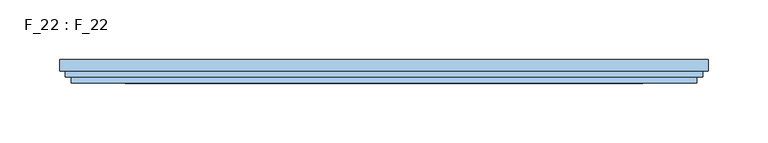
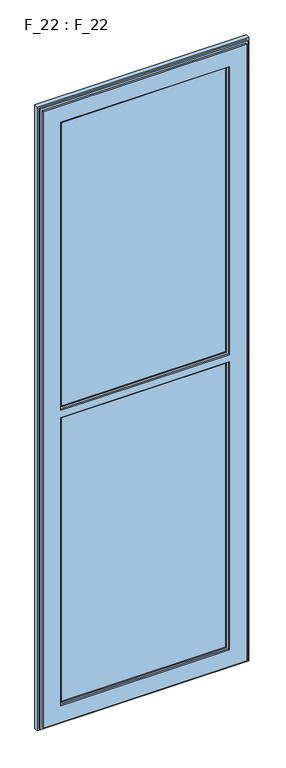
"""IFC4 building model written with IfcOpenShell, lengths in millimetres: window geometry, F_22 : F_22."""

import ifcopenshell
import ifcopenshell.guid

model = None  # the IFC model being written
_history = None  # IfcOwnerHistory: only IFC2X3 demands one
_inside = {}  # id of a spatial element -> (the spatial element, [elements in it])
_under = {}  # id of a project, library or spatial element -> (it, [spatial elements below it])
_declared = {}  # id of a project -> (the project, [libraries it declares])
_typed = {}  # id of a type object -> (the type object, [elements of that type])
_made_of = {}  # id of a material, layer set ... -> (it, [elements and type objects made of it])


def new_model(schema):
    """Start an empty IFC model of exactly this schema.

    Asked for "IFC4X3", IfcOpenShell would pick the latest addendum, in which some entities
    have other attributes; the version numbers below select the first issue.
    IFC2X3 requires an IfcOwnerHistory on every rooted entity: one is made here for all.
    """
    global model, _history
    if schema == "IFC4X3":
        model = ifcopenshell.file(schema_version=(4, 3, 0, 0))
    else:
        model = ifcopenshell.file(schema=schema)
    _inside.clear()
    _under.clear()
    _declared.clear()
    _typed.clear()
    _made_of.clear()
    _history = None
    if model.schema == "IFC2X3":
        org = make("IfcOrganization", Name="unknown")
        user = make(
            "IfcPersonAndOrganization",
            ThePerson=make("IfcPerson", FamilyName="unknown"),
            TheOrganization=org,
        )
        app = make(
            "IfcApplication",
            ApplicationDeveloper=org,
            Version="unknown",
            ApplicationFullName="unknown",
            ApplicationIdentifier="unknown",
        )
        _history = make(
            "IfcOwnerHistory",
            OwningUser=user,
            OwningApplication=app,
            ChangeAction="ADDED",
            CreationDate=0,
        )
    return model


def make(cls, **values):
    """One entity of the class cls with the attributes given. An attribute that is None is left unset."""
    return model.create_entity(
        cls, **{name: value for name, value in values.items() if value is not None}
    )


def rooted(cls, **values):
    """An entity with a GlobalId (a new one), such as an element, a storey or a relation."""
    return make(cls, GlobalId=ifcopenshell.guid.new(), OwnerHistory=_history, **values)


def si_unit(unit_type, name, prefix=None):
    """IfcSIUnit, for example si_unit("LENGTHUNIT", "METRE", prefix="MILLI")."""
    return make("IfcSIUnit", UnitType=unit_type, Prefix=prefix, Name=name)


def assignment(units):
    """IfcUnitAssignment: the units of a project."""
    return None if units is None else make("IfcUnitAssignment", Units=units)


def point(xyz):
    """IfcCartesianPoint."""
    return None if xyz is None else make("IfcCartesianPoint", Coordinates=xyz)


def direction(xyz):
    """IfcDirection."""
    return None if xyz is None else make("IfcDirection", DirectionRatios=xyz)


def frame(location, z_axis=None, x_axis=None):
    """IfcAxis2Placement3D, a coordinate frame: its origin and axes. An axis left out is left unset."""
    return make(
        "IfcAxis2Placement3D",
        Location=point(location),
        Axis=direction(z_axis),
        RefDirection=direction(x_axis),
    )


def origin():
    """The frame at (0, 0, 0) with its axes left unset."""
    return frame((0.0, 0.0, 0.0))


def place(relative_to, where):
    """IfcLocalPlacement: puts the frame where relative to a parent placement (None: the world)."""
    return make(
        "IfcLocalPlacement", PlacementRelTo=relative_to, RelativePlacement=where
    )


def context(
    kind, dimensions, precision=None, world=None, true_north=None, identifier=None
):
    """IfcGeometricRepresentationContext, for example the 3D "Model" context."""
    return make(
        "IfcGeometricRepresentationContext",
        ContextIdentifier=identifier,
        ContextType=kind,
        CoordinateSpaceDimension=dimensions,
        Precision=precision,
        WorldCoordinateSystem=world,
        TrueNorth=true_north,
    )


def project(units=None, contexts=None):
    """IfcProject with its units and contexts."""
    return rooted(
        "IfcProject",
        Name="project",
        RepresentationContexts=contexts,
        UnitsInContext=assignment(units),
    )


def spatial(cls, under=None, at=None, **own):
    """A site, building, storey or space (cls), placed at a placement, below another one or the project."""
    s = rooted(cls, ObjectPlacement=at, **own)
    if under is not None:
        _under.setdefault(under.id(), (under, []))[1].append(s)
    return s


def polyline(points):
    """IfcPolyline through the points."""
    return make("IfcPolyline", Points=[point(p) for p in points])


def outline(outer, holes=None, kind="AREA"):
    """IfcArbitraryClosedProfileDef: a profile drawn as a closed curve; with holes, ...WithVoids."""
    if holes is None:
        return make("IfcArbitraryClosedProfileDef", ProfileType=kind, OuterCurve=outer)
    return make(
        "IfcArbitraryProfileDefWithVoids",
        ProfileType=kind,
        OuterCurve=outer,
        InnerCurves=holes,
    )


def extrude(swept, where, along, depth):
    """IfcExtrudedAreaSolid: the profile swept, set in the frame where, extruded along a direction by depth."""
    return make(
        "IfcExtrudedAreaSolid",
        SweptArea=swept,
        Position=where,
        ExtrudedDirection=direction(along),
        Depth=depth,
    )


def faces_of(points, faces, orient=None, outer=None):
    """IfcFace entities. A face is a list of loops; a loop is a list of indices into points, from 0.

    orient and outer hold one flag for each loop. By default every Orientation is true, the
    first loop of a face is its IfcFaceOuterBound and the others are IfcFaceBound.
    """
    made = []
    for i, loops in enumerate(faces):
        bounds = []
        for j, loop in enumerate(loops):
            is_outer = j == 0 if outer is None else outer[i][j]
            bounds.append(
                make(
                    "IfcFaceOuterBound" if is_outer else "IfcFaceBound",
                    Bound=make("IfcPolyLoop", Polygon=[points[k] for k in loop]),
                    Orientation=True if orient is None else orient[i][j],
                )
            )
        made.append(make("IfcFace", Bounds=bounds))
    return made


def faceted_brep(points, faces, orient=None, outer=None, voids=None):
    """IfcFacetedBrep: a solid bounded by flat faces; with voids (closed shells), ...WithVoids."""
    shared = [point(p) for p in points]
    hull = make("IfcClosedShell", CfsFaces=faces_of(shared, faces, orient, outer))
    if voids is None:
        return make("IfcFacetedBrep", Outer=hull)
    return make(
        "IfcFacetedBrepWithVoids",
        Outer=hull,
        Voids=[
            make(cls, CfsFaces=faces_of(shared, fs, o, b)) for cls, fs, o, b in voids
        ],
    )


def shape(context_of_items, identifier, shape_type, items):
    """IfcShapeRepresentation: the items that make up one representation, for example the "Body"."""
    return make(
        "IfcShapeRepresentation",
        ContextOfItems=context_of_items,
        RepresentationIdentifier=identifier,
        RepresentationType=shape_type,
        Items=items,
    )


def source(mapping_origin, context_of_items, identifier, shape_type, items):
    """IfcRepresentationMap: a shape defined once, which mapped items show again and again."""
    return make(
        "IfcRepresentationMap",
        MappingOrigin=mapping_origin,
        MappedRepresentation=shape(context_of_items, identifier, shape_type, items),
    )


def transform(
    local_origin,
    x_axis=None,
    y_axis=None,
    z_axis=None,
    scale=None,
    scale2=None,
    scale3=None,
    uniform=True,
):
    """IfcCartesianTransformationOperator3D, or its non-uniform kind. x_axis, y_axis, z_axis: its Axis1, 2, 3."""
    if uniform:
        return make(
            "IfcCartesianTransformationOperator3D",
            Axis1=direction(x_axis),
            Axis2=direction(y_axis),
            LocalOrigin=point(local_origin),
            Scale=scale,
            Axis3=direction(z_axis),
        )
    return make(
        "IfcCartesianTransformationOperator3DnonUniform",
        Axis1=direction(x_axis),
        Axis2=direction(y_axis),
        LocalOrigin=point(local_origin),
        Scale=scale,
        Axis3=direction(z_axis),
        Scale2=scale2,
        Scale3=scale3,
    )


def mapped(mapping_source, mapping_target):
    """IfcMappedItem: shows the shape of a source again, moved by a transform."""
    return make(
        "IfcMappedItem", MappingSource=mapping_source, MappingTarget=mapping_target
    )


def made_of(thing, what):
    """Note that an element or type object is made of a material, layer set ...; save() writes the relation."""
    if what is not None:
        _made_of.setdefault(what.id(), (what, []))[1].append(thing)
    return thing


def element(
    cls,
    number,
    at=None,
    inside=None,
    cuts=None,
    type_object=None,
    material=None,
    context=None,
    identifier="Body",
    shape_type=None,
    held_by="IfcProductDefinitionShape",
    body=None,
    shapes=None,
    **own,
):
    """One element of the class cls, such as IfcWall. Its Tag is "e" and its number.

    at: its placement. inside: the storey or other place that contains it. cuts: it is an
    opening in that element (IfcRelVoidsElement). A single representation is given by context,
    identifier, shape_type and body (its items); several are given by shapes. held_by: the class
    of the entity that holds the representations. save() writes the other relations.
    """
    e = rooted(cls, Tag="e%d" % number, ObjectPlacement=at, **own)
    if body is not None:
        shapes = [shape(context, identifier, shape_type, body)]
    if shapes is not None:
        e.Representation = make(held_by, Representations=shapes)
    if inside is not None:
        _inside.setdefault(inside.id(), (inside, []))[1].append(e)
    if cuts is not None:
        rooted(
            "IfcRelVoidsElement", RelatingBuildingElement=cuts, RelatedOpeningElement=e
        )
    if type_object is not None:
        _typed.setdefault(type_object.id(), (type_object, []))[1].append(e)
    return made_of(e, material)


def aggregate(whole, parts):
    """IfcRelAggregates: a whole, such as a stair, and the parts it consists of."""
    return rooted("IfcRelAggregates", RelatingObject=whole, RelatedObjects=parts)


def save(model, path):
    """Write the relations noted so far, then the file.

    IfcRelAggregates (storeys below a building ...), IfcRelContainedInSpatialStructure (elements
    in a storey), IfcRelDefinesByType, IfcRelAssociatesMaterial and IfcRelDeclares: one each for
    every whole, place, type object, material and project.
    """
    for whole, parts in _under.values():
        aggregate(whole, parts)
    for where, things in _inside.values():
        rooted(
            "IfcRelContainedInSpatialStructure",
            RelatedElements=things,
            RelatingStructure=where,
        )
    for kind, things in _typed.values():
        rooted("IfcRelDefinesByType", RelatedObjects=things, RelatingType=kind)
    for what, things in _made_of.values():
        rooted("IfcRelAssociatesMaterial", RelatedObjects=things, RelatingMaterial=what)
    for by, libraries in _declared.values():
        rooted("IfcRelDeclares", RelatingContext=by, RelatedDefinitions=libraries)
    model.write(path)


def f_22_f_22_4c29b818(model_context):
    return source(origin(), model_context, "Body", "SolidModel", [
        faceted_brep([(-262.5, -105.0, 2460.0), (-262.5, -100.0, 2460.0), (-262.5, -100.0, 780.0), (-262.5, -105.0, 780.0), (262.5, -105.0, 2460.0), (262.5, -100.0, 2460.0), (262.5, -105.0, 780.0), (-217.5, -105.0, 2415.0), (217.5, -105.0, 2415.0), (217.5, -105.0, 1630.0), (-217.5, -105.0, 1630.0), (-217.5, -105.0, 825.0), (-217.5, -105.0, 1610.0), (217.5, -105.0, 1610.0), (217.5, -105.0, 825.0), (262.5, -100.0, 780.0), (267.5, -100.0, 2465.0), (-267.5, -100.0, 2465.0), (-267.5, -100.0, 775.0), (267.5, -100.0, 775.0), (-267.5, -90.0, 2465.0), (-267.5, -90.0, 775.0), (267.5, -90.0, 2465.0), (267.5, -90.0, 775.0), (262.5, -90.0, 2460.0), (-262.5, -90.0, 2460.0), (-262.5, -90.0, 780.0), (262.5, -90.0, 780.0), (-262.5, -85.0, 2460.0), (-262.5, -85.0, 780.0), (262.5, -85.0, 2460.0), (262.5, -85.0, 780.0), (217.5, -85.0, 2415.0), (-217.5, -85.0, 2415.0), (-217.5, -85.0, 1630.0), (217.5, -85.0, 1630.0), (217.5, -85.0, 825.0), (217.5, -85.0, 1610.0), (-217.5, -85.0, 1610.0), (-217.5, -85.0, 825.0), (-217.5, -90.0, 2415.0), (217.5, -90.0, 2415.0), (-212.5, -100.0, 2410.0), (-212.5, -90.0, 2410.0), (212.5, -90.0, 2410.0), (212.5, -100.0, 2410.0), (-217.5, -100.0, 2415.0), (217.5, -100.0, 2415.0), (217.5, -90.0, 825.0), (217.5, -90.0, 1610.0), (217.5, -90.0, 1630.0), (212.5, -90.0, 1635.0), (212.5, -100.0, 1635.0), (212.5, -90.0, 830.0), (212.5, -100.0, 830.0), (212.5, -100.0, 1605.0), (212.5, -90.0, 1605.0), (217.5, -100.0, 1630.0), (217.5, -100.0, 1610.0), (217.5, -100.0, 825.0), (-217.5, -90.0, 825.0), (-212.5, -90.0, 830.0), (-212.5, -100.0, 830.0), (-217.5, -100.0, 825.0), (-217.5, -90.0, 1630.0), (-217.5, -90.0, 1610.0), (-212.5, -90.0, 1635.0), (-212.5, -90.0, 1605.0), (-212.5, -100.0, 1635.0), (-212.5, -100.0, 1605.0), (-217.5, -100.0, 1630.0), (-217.5, -100.0, 1610.0)], [[[0, 1, 2, 3]], [[1, 0, 4, 5]], [[4, 0, 3, 6], [7, 8, 9, 10], [11, 12, 13, 14]], [[5, 4, 6, 15]], [[16, 17, 18, 19], [1, 5, 15, 2]], [[17, 20, 21, 18]], [[20, 17, 16, 22]], [[22, 16, 19, 23]], [[20, 22, 23, 21], [24, 25, 26, 27]], [[25, 28, 29, 26]], [[28, 25, 24, 30]], [[30, 24, 27, 31]], [[28, 30, 31, 29], [32, 33, 34, 35], [36, 37, 38, 39]], [[40, 33, 32, 41]], [[42, 43, 44, 45]], [[7, 46, 47, 8]], [[36, 48, 49, 37]], [[50, 41, 32, 35]], [[45, 44, 51, 52]], [[53, 54, 55, 56]], [[8, 47, 57, 9]], [[58, 59, 14, 13]], [[48, 36, 39, 60]], [[54, 53, 61, 62]], [[14, 59, 63, 11]], [[15, 6, 3, 2]], [[23, 19, 18, 21]], [[31, 27, 26, 29]], [[33, 40, 64, 34]], [[65, 60, 39, 38]], [[40, 41, 50, 64], [43, 66, 51, 44]], [[48, 60, 65, 49], [53, 56, 67, 61]], [[43, 42, 68, 66]], [[62, 61, 67, 69]], [[47, 46, 70, 57], [42, 45, 52, 68]], [[63, 59, 58, 71], [54, 62, 69, 55]], [[11, 63, 71, 12]], [[70, 46, 7, 10]], [[10, 9, 57, 70]], [[51, 66, 68, 52]], [[35, 34, 64, 50]], [[38, 37, 49, 65]], [[67, 56, 55, 69]], [[13, 12, 71, 58]]]),
        extrude(outline(polyline([(212.5, -97.0), (-212.5, -97.0), (-212.5, -93.0), (212.5, -93.0), (212.5, -97.0)])), frame((0.0, 0.0, 1635.0), z_axis=(0.0, 0.0, 1.0), x_axis=(1.0, 0.0, 0.0)), (0.0, 0.0, 1.0), 775.0),
        faceted_brep([(272.5, -95.0, 770.0), (272.5, -85.0, 770.0), (272.5, -85.0, 2470.0), (272.5, -95.0, 2470.0), (-272.5, -85.0, 770.0), (-272.5, -85.0, 2470.0), (262.5, -85.0, 780.0), (262.5, -85.0, 2460.0), (-262.5, -85.0, 2460.0), (-262.5, -85.0, 780.0), (-272.5, -95.0, 2470.0), (-272.5, -95.0, 770.0), (-267.5, -95.0, 775.0), (-267.5, -95.0, 2465.0), (267.5, -95.0, 2465.0), (267.5, -95.0, 775.0), (267.5, -90.0, 775.0), (267.5, -90.0, 2465.0), (-267.5, -90.0, 2465.0), (-267.5, -90.0, 775.0), (-262.5, -90.0, 780.0), (-262.5, -90.0, 2460.0), (262.5, -90.0, 2460.0), (262.5, -90.0, 780.0)], [[[0, 1, 2, 3]], [[4, 5, 2, 1], [6, 7, 8, 9]], [[3, 2, 5, 10]], [[0, 3, 10, 11], [12, 13, 14, 15]], [[16, 15, 14, 17]], [[17, 14, 13, 18]], [[16, 17, 18, 19], [20, 21, 22, 23]], [[6, 23, 22, 7]], [[7, 22, 21, 8]], [[10, 5, 4, 11]], [[18, 13, 12, 19]], [[8, 21, 20, 9]], [[11, 4, 1, 0]], [[19, 12, 15, 16]], [[9, 20, 23, 6]]]),
        extrude(outline(polyline([(212.5, -97.0), (-212.5, -97.0), (-212.5, -93.0), (212.5, -93.0), (212.5, -97.0)])), frame((0.0, 0.0, 830.0), z_axis=(0.0, 0.0, 1.0), x_axis=(1.0, 0.0, 0.0)), (0.0, 0.0, 1.0), 775.0),
    ])


if __name__ == "__main__":
    model = new_model("IFC4")
    model_context = context("Model", 3, world=origin())
    ifc_project = project(units=[si_unit("LENGTHUNIT", "METRE", prefix="MILLI")], contexts=[model_context])
    site = spatial("IfcSite", under=ifc_project)
    building = spatial("IfcBuilding", under=site)
    placement = place(None, origin())
    f_22_f_22_shape = f_22_f_22_4c29b818(model_context)
    element("IfcWindow", 1, ObjectType="F_22 : F_22", at=placement, inside=building, context=model_context, shape_type="MappedRepresentation", body=[
        mapped(f_22_f_22_shape, transform((0.0, 0.0, 0.0), x_axis=(1.0, 0.0, 0.0), y_axis=(0.0, 1.0, 0.0), z_axis=(0.0, 0.0, 1.0))),
    ])
    save(model, "model.ifc")
